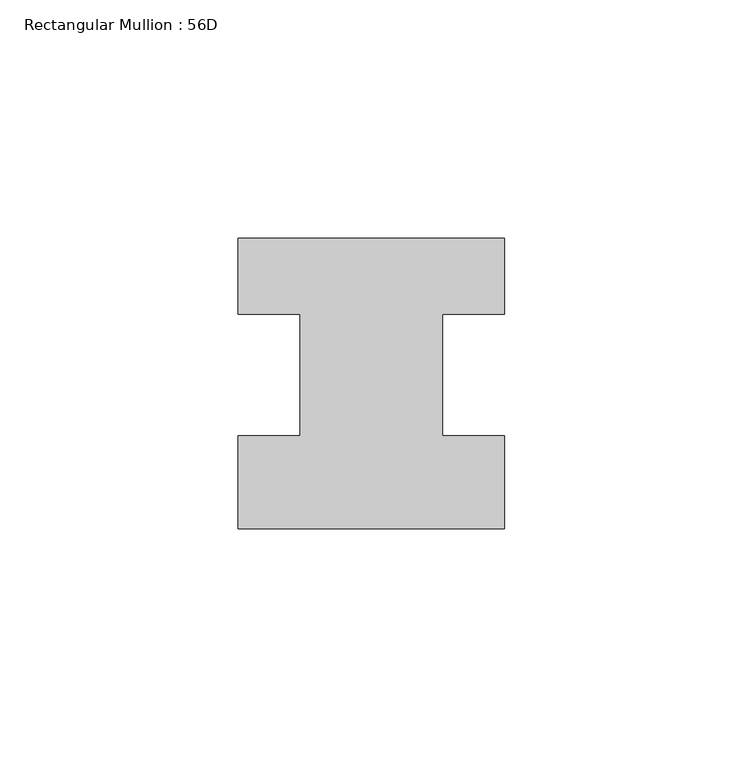
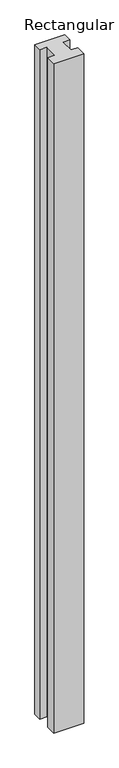
"""IFC4 building model written with IfcOpenShell, lengths in millimetres: member geometry, Rectangular Mullion : 56D."""

from ifc_helpers import new_model, si_unit, frame, origin, place, context, project, spatial, polyline, outline, extrude, source, transform, mapped, element, save


def rectangular_mullion_56d_7f5da443(model_context):
    return source(origin(), model_context, "Body", "SweptSolid", [
        extrude(outline(polyline([(28.0, -20.0), (-28.0, -20.0), (-28.0, -0.5), (-15.0, -0.5), (-15.0, 25.0), (-28.0, 25.0), (-28.0, 41.0), (28.0, 41.0), (28.0, 25.0), (15.0, 25.0), (15.0, -0.5), (28.0, -0.5), (28.0, -20.0)])), frame((0.0, 0.0, -1322.465707), z_axis=(0.0, 0.0, 1.0), x_axis=(1.0, 0.0, 0.0)), (0.0, 0.0, 1.0), 1322.465707),
    ])


if __name__ == "__main__":
    model = new_model("IFC4")
    model_context = context("Model", 3, world=origin())
    ifc_project = project(units=[si_unit("LENGTHUNIT", "METRE", prefix="MILLI")], contexts=[model_context])
    site = spatial("IfcSite", under=ifc_project)
    building = spatial("IfcBuilding", under=site)
    placement = place(None, origin())
    rectangular_mullion_56d_shape = rectangular_mullion_56d_7f5da443(model_context)
    element("IfcMember", 1, ObjectType="Rectangular Mullion : 56D", at=placement, inside=building, context=model_context, shape_type="MappedRepresentation", body=[
        mapped(rectangular_mullion_56d_shape, transform((0.0, 0.0, 0.0), x_axis=(1.0, 0.0, 0.0), y_axis=(0.0, 1.0, 0.0), z_axis=(0.0, 0.0, 1.0))),
    ])
    save(model, "model.ifc")
